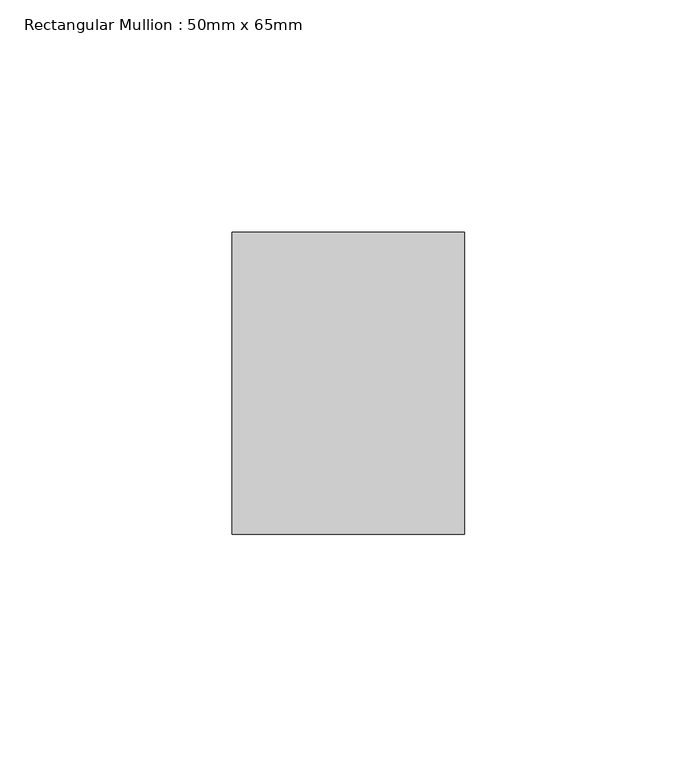
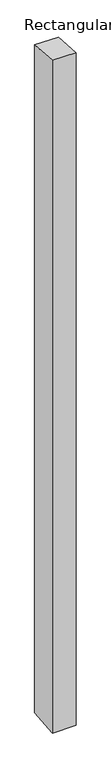
"""IFC4 building model written with IfcOpenShell, lengths in millimetres: member geometry, Rectangular Mullion : 50mm x 65mm."""

from ifc_helpers import new_model, si_unit, origin, place, context, project, spatial, faceted_brep, source, transform, mapped, element, save


def rectangular_mullion_50mm_x_65mm_58469db4(model_context):
    return source(origin(), model_context, "Body", "Brep", [
        faceted_brep([(-25.0, 32.5, -2.4319485), (25.0, 32.5, -2.4319509), (25.0, 32.5, -1497.0089216), (-25.0, 32.5, -1497.0089245), (-25.0, -32.5, 2.4319509), (-25.0, -32.5, -1502.9912374), (25.0, -32.5, 2.4319485), (25.0, -32.5, -1502.9912344)], [[[0, 1, 2, 3]], [[4, 0, 3, 5]], [[6, 4, 5, 7]], [[1, 6, 7, 2]], [[1, 0, 4, 6]], [[2, 7, 5, 3]]]),
    ])


if __name__ == "__main__":
    model = new_model("IFC4")
    model_context = context("Model", 3, world=origin())
    ifc_project = project(units=[si_unit("LENGTHUNIT", "METRE", prefix="MILLI")], contexts=[model_context])
    site = spatial("IfcSite", under=ifc_project)
    building = spatial("IfcBuilding", under=site)
    placement = place(None, origin())
    rectangular_mullion_50mm_x_65mm_shape = rectangular_mullion_50mm_x_65mm_58469db4(model_context)
    element("IfcMember", 1, ObjectType="Rectangular Mullion : 50mm x 65mm", at=placement, inside=building, context=model_context, shape_type="MappedRepresentation", body=[
        mapped(rectangular_mullion_50mm_x_65mm_shape, transform((0.0, 0.0, 0.0), x_axis=(1.0, 0.0, 0.0), y_axis=(0.0, 1.0, 0.0), z_axis=(0.0, 0.0, 1.0))),
    ])
    save(model, "model.ifc")
